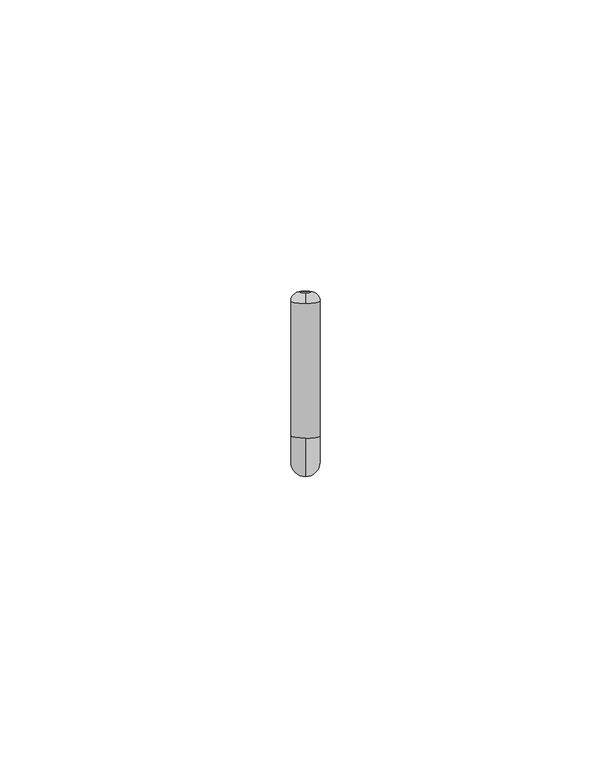
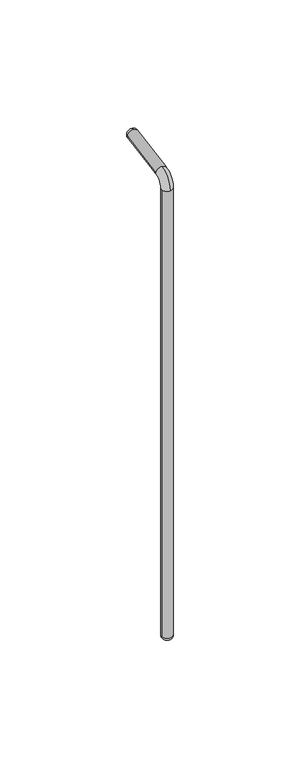
"""IFC4 building model written with IfcOpenShell, lengths in millimetres: proxy geometry."""

from ifc_helpers import new_model, si_unit, point, frame, origin, origin_with_axes, place, context, project, spatial, circle_curve, ellipse_curve, trimmed, source, transform, mapped, element, save
from ifc_brep_helpers import plane_surface, cylinder_surface, revolved_surface, advanced_brep


def generic_models_dd3c3593(model_context):
    return source(origin(), model_context, "Body", "AdvancedBrep", [
        advanced_brep(
        [(0.0, -2.5, 220.0), (0.0, 4.1108146, 227.878462), (-2.5, 4.544935, 225.4164426), (0.0, 4.9790555, 222.9544233), (0.0, 2.5, 220.0), (-2.5, 0.0, 220.0), (-2.5, 0.0, 1.5), (2.5, 0.0, 220.0), (2.5, 0.0, 1.5), (-1.0, 0.0, 0.0), (1.0, 0.0, 0.0), (-2.5, 27.6879172, 229.4971748), (0.0, 28.1220377, 227.0351554), (2.5, 27.6879172, 229.4971748), (2.5, 4.544935, 225.4164426), (0.0, 29.338777, 228.7728393), (0.0, 27.2537968, 231.9591942), (0.0, 28.9914807, 230.7424548), (1.0, 29.1651288, 229.7576471)],
        [
            (0, 1, circle_curve(frame((0.0, 5.5, 220.0), z_axis=(-1.0, 0.0, 0.0), x_axis=(0.0, -1.0, 0.0)), 8.0)),
            (1, 2, circle_curve(frame((0.0, 4.544935, 225.4164426), z_axis=(0.0, -0.9848077530122081, -0.17364817766692994), x_axis=(0.0, -0.17364817766692994, 0.9848077530122081)), 2.5)),
            (2, 3, circle_curve(frame((0.0, 4.544935, 225.4164426), z_axis=(0.0, -0.9848077530122082, -0.1736481776669295), x_axis=(0.0, -0.1736481776669295, 0.9848077530122082)), 2.5)),
            (3, 4, circle_curve(frame((0.0, 5.5, 220.0), z_axis=(1.0, 0.0, 0.0), x_axis=(0.0, -1.0, 0.0)), 3.0)),
            (4, 5, circle_curve(frame((0.0, 0.0, 220.0), z_axis=(0.0, 0.0, 1.0), x_axis=(0.0, -1.0, 0.0)), 2.5)),
            (5, 0, circle_curve(frame((0.0, 0.0, 220.0), z_axis=(0.0, 0.0, 1.0), x_axis=(0.0, -1.0, 0.0)), 2.5)),
            (6, 5),
            (4, 7, circle_curve(frame((0.0, 0.0, 220.0), z_axis=(0.0, 0.0, -1.0), x_axis=(-1.0, 0.0, 0.0)), 2.5)),
            (7, 8),
            (8, 6, circle_curve(frame((0.0, 0.0, 1.5), z_axis=(0.0, 0.0, 1.0), x_axis=(-1.0, 0.0, 0.0)), 2.5)),
            (6, 9, circle_curve(frame((-1.0, 0.0, 1.5), z_axis=(0.0, -1.0, 0.0), x_axis=(-1.0, 0.0, 0.0)), 1.5)),
            (9, 10, circle_curve(origin_with_axes(), 1.0)),
            (10, 8, circle_curve(frame((1.0, 0.0, 1.5), z_axis=(0.0, -1.0, 0.0), x_axis=(1.0, 0.0, 0.0)), 1.5)),
            (8, 6, circle_curve(frame((0.0, 0.0, 1.5), z_axis=(0.0, 0.0, -1.0), x_axis=(1.0, 0.0, 0.0)), 2.5)),
            (2, 11),
            (11, 12, circle_curve(frame((0.0, 27.6879172, 229.4971748), z_axis=(0.0, -0.984807753012208, -0.17364817766693083), x_axis=(-1.0, 0.0, 0.0)), 2.5)),
            (12, 13, circle_curve(frame((0.0, 27.6879172, 229.4971748), z_axis=(0.0, -0.984807753012208, -0.17364817766693083), x_axis=(-1.0, 0.0, 0.0)), 2.5)),
            (13, 14),
            (14, 3, circle_curve(frame((0.0, 4.544935, 225.4164426), z_axis=(0.0, 0.984807753012208, 0.17364817766693083), x_axis=(-1.0, 0.0, 0.0)), 2.5)),
            (15, 12, circle_curve(frame((0.0, 27.8615654, 228.5123671), z_axis=(-0.9999999999999999, 0.0, 0.0), x_axis=(0.0, 0.17364817766692695, -0.9848077530122086)), 1.5)),
            (11, 16, circle_curve(frame((0.0, 27.6879172, 229.4971748), z_axis=(0.0, 0.984807753012208, 0.1736481776669308), x_axis=(0.0, -0.17364817766693258, 0.9848077530122076)), 2.5)),
            (16, 17, circle_curve(frame((0.0, 27.514269, 230.4819826), z_axis=(-0.9999999999999999, 0.0, 0.0), x_axis=(0.0, -0.1736481776669382, 0.9848077530122066)), 1.5)),
            (17, 15, circle_curve(frame((0.0, 29.1651288, 229.7576471), z_axis=(0.0, -0.984807753012208, -0.1736481776669308), x_axis=(0.0, -0.17364817766693258, 0.9848077530122076)), 1.0)),
            (15, 18, circle_curve(frame((0.0, 29.1651288, 229.7576471), z_axis=(0.0, -0.984807753012208, -0.1736481776669308), x_axis=(0.0, 0.17364817766693058, -0.984807753012208)), 1.0)),
            (18, 17, circle_curve(frame((0.0, 29.1651288, 229.7576471), z_axis=(0.0, -0.984807753012208, -0.1736481776669308), x_axis=(0.0, 0.17364817766693058, -0.984807753012208)), 1.0)),
            (16, 13, circle_curve(frame((0.0, 27.6879172, 229.4971748), z_axis=(0.0, 0.984807753012208, 0.1736481776669308), x_axis=(0.0, 0.17364817766693058, -0.984807753012208)), 2.5)),
            (1, 14, circle_curve(frame((0.0, 4.544935, 225.4164426), z_axis=(0.0, 0.984807753012208, 0.17364817766693083), x_axis=(-1.0, 0.0, 0.0)), 2.5)),
            (10, 9, circle_curve(frame((0.0, 0.0, 0.0), z_axis=(0.0, 0.0, 1.0), x_axis=(-1.0, 0.0, 0.0)), 1.0)),
            (7, 0, circle_curve(frame((0.0, 0.0, 220.0), z_axis=(0.0, 0.0, -1.0), x_axis=(-1.0, 0.0, 0.0)), 2.5)),
        ],
        [
            revolved_surface(trimmed(ellipse_curve(frame((0.0, 0.0, 220.0), z_axis=(0.0, 0.0, -1.0), x_axis=(0.0, -1.0, 0.0)), 2.5, 2.5), [point((0.0, -2.5, 220.0))], [point((0.0, 2.5, 220.0))], True, "CARTESIAN"), (0.0, 5.5, 220.0), (-1.0, 0.0, 0.0)),
            cylinder_surface(frame((0.0, 0.0, 0.0), z_axis=(0.0, 0.0, 1.0), x_axis=(-1.0, 0.0, 0.0)), 2.5),
            revolved_surface(trimmed(ellipse_curve(frame((1.0, 0.0, 1.5), z_axis=(0.0, 1.0, 0.0), x_axis=(1.0, 0.0, 0.0)), 1.5, 1.5), [point((2.5, 0.0, 1.5))], [point((1.0, 0.0, 0.0))], True, "CARTESIAN"), (0.0, 0.0, 1.5), (0.0, 0.0, -1.0)),
            cylinder_surface(frame((0.0, 4.544935, 225.4164426), z_axis=(0.0, 0.984807753012208, 0.17364817766693083), x_axis=(-1.0, 0.0, 0.0)), 2.5),
            revolved_surface(trimmed(ellipse_curve(frame((0.0, 27.514269, 230.4819826), z_axis=(0.9999999999999999, 0.0, 0.0), x_axis=(0.0, -0.1736481776669382, 0.9848077530122066)), 1.5, 1.5), [point((0.0, 28.9914807, 230.7424548))], [point((0.0, 27.2537968, 231.9591942))], True, "CARTESIAN"), (0.0, 27.6879172, 229.4971748), (0.0, -0.984807753012208, -0.1736481776669308)),
            revolved_surface(trimmed(ellipse_curve(frame((0.0, 27.8615654, 228.5123671), z_axis=(-1.0, 0.0, 0.0), x_axis=(0.0, 0.17364817766692967, -0.9848077530122081)), 1.5, 1.5), [point((0.0, 29.338777, 228.7728393))], [point((0.0, 28.1220377, 227.0351554))], True, "CARTESIAN"), (0.0, 27.6879172, 229.4971748), (0.0, -0.984807753012208, -0.1736481776669308)),
            plane_surface(frame((0.0, 29.1651288, 229.7576471), z_axis=(0.0, 0.984807753012208, 0.1736481776669309), x_axis=(0.0, 0.1736481776669309, -0.984807753012208))),
            revolved_surface(trimmed(ellipse_curve(frame((-1.0, 0.0, 1.5), z_axis=(0.0, -1.0, 0.0), x_axis=(-1.0, 0.0, 0.0)), 1.5, 1.5), [point((-2.5, 0.0, 1.5))], [point((-1.0, 0.0, 0.0))], True, "CARTESIAN"), (0.0, 0.0, 1.5), (0.0, 0.0, -1.0)),
            plane_surface(frame((0.0, 0.0, 0.0), z_axis=(0.0, 0.0, -1.0), x_axis=(-1.0, 0.0, 0.0))),
            revolved_surface(trimmed(ellipse_curve(frame((0.0, 0.0, 220.0), z_axis=(0.0, 0.0, -1.0), x_axis=(0.0, -1.0, 0.0)), 2.5, 2.5), [point((0.0, 2.5, 220.0))], [point((0.0, -2.5, 220.0))], True, "CARTESIAN"), (0.0, 5.5, 220.0), (-1.0, 0.0, 0.0)),
        ],
        [
            (0, [[1, 2, 3, 4, 5, 6]]),
            (1, [[7, -5, 8, 9, 10]]),
            (2, [[11, 12, 13, 14]]),
            (3, [[15, 16, 17, 18, 19, -3]]),
            (4, [[20, -16, 21, 22, 23]]),
            (5, [[-20, 24, 25, -22, 26, -17]]),
            (3, [[-15, -2, 27, -18, -26, -21]]),
            (6, [[-25, -24, -23]]),
            (7, [[-11, -10, -13, 28]]),
            (1, [[-7, -14, -9, 29, -6]]),
            (8, [[-28, -12]]),
            (9, [[-1, -29, -8, -4, -19, -27]]),
        ],
    ),
    ])


if __name__ == "__main__":
    model = new_model("IFC4")
    model_context = context("Model", 3, world=origin())
    ifc_project = project(units=[si_unit("LENGTHUNIT", "METRE", prefix="MILLI")], contexts=[model_context])
    site = spatial("IfcSite", under=ifc_project)
    building = spatial("IfcBuilding", under=site)
    placement = place(None, origin())
    generic_models_shape = generic_models_dd3c3593(model_context)
    element("IfcBuildingElementProxy", 1, Name="Generic Models", at=placement, inside=building, context=model_context, shape_type="MappedRepresentation", body=[
        mapped(generic_models_shape, transform((0.0, 0.0, 0.0), x_axis=(1.0, 0.0, 0.0), y_axis=(0.0, 1.0, 0.0), z_axis=(0.0, 0.0, 1.0))),
    ])
    save(model, "model.ifc")
